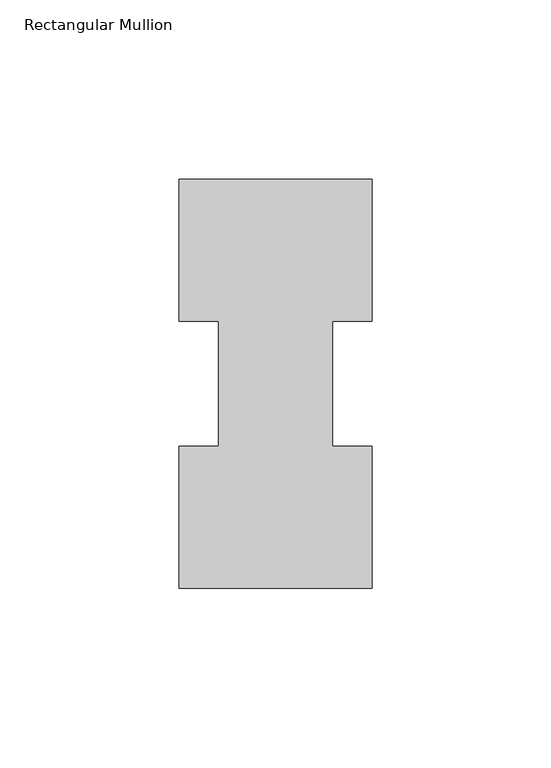
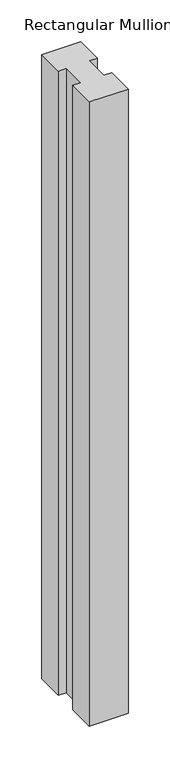
"""IFC4 building model written with IfcOpenShell, lengths in millimetres: member geometry, Rectangular Mullion."""

import ifcopenshell
import ifcopenshell.guid

model = None  # the IFC model being written
_history = None  # IfcOwnerHistory: only IFC2X3 demands one
_inside = {}  # id of a spatial element -> (the spatial element, [elements in it])
_under = {}  # id of a project, library or spatial element -> (it, [spatial elements below it])
_declared = {}  # id of a project -> (the project, [libraries it declares])
_typed = {}  # id of a type object -> (the type object, [elements of that type])
_made_of = {}  # id of a material, layer set ... -> (it, [elements and type objects made of it])


def new_model(schema):
    """Start an empty IFC model of exactly this schema.

    Asked for "IFC4X3", IfcOpenShell would pick the latest addendum, in which some entities
    have other attributes; the version numbers below select the first issue.
    IFC2X3 requires an IfcOwnerHistory on every rooted entity: one is made here for all.
    """
    global model, _history
    if schema == "IFC4X3":
        model = ifcopenshell.file(schema_version=(4, 3, 0, 0))
    else:
        model = ifcopenshell.file(schema=schema)
    _inside.clear()
    _under.clear()
    _declared.clear()
    _typed.clear()
    _made_of.clear()
    _history = None
    if model.schema == "IFC2X3":
        org = make("IfcOrganization", Name="unknown")
        user = make(
            "IfcPersonAndOrganization",
            ThePerson=make("IfcPerson", FamilyName="unknown"),
            TheOrganization=org,
        )
        app = make(
            "IfcApplication",
            ApplicationDeveloper=org,
            Version="unknown",
            ApplicationFullName="unknown",
            ApplicationIdentifier="unknown",
        )
        _history = make(
            "IfcOwnerHistory",
            OwningUser=user,
            OwningApplication=app,
            ChangeAction="ADDED",
            CreationDate=0,
        )
    return model


def make(cls, **values):
    """One entity of the class cls with the attributes given. An attribute that is None is left unset."""
    return model.create_entity(
        cls, **{name: value for name, value in values.items() if value is not None}
    )


def rooted(cls, **values):
    """An entity with a GlobalId (a new one), such as an element, a storey or a relation."""
    return make(cls, GlobalId=ifcopenshell.guid.new(), OwnerHistory=_history, **values)


def si_unit(unit_type, name, prefix=None):
    """IfcSIUnit, for example si_unit("LENGTHUNIT", "METRE", prefix="MILLI")."""
    return make("IfcSIUnit", UnitType=unit_type, Prefix=prefix, Name=name)


def assignment(units):
    """IfcUnitAssignment: the units of a project."""
    return None if units is None else make("IfcUnitAssignment", Units=units)


def point(xyz):
    """IfcCartesianPoint."""
    return None if xyz is None else make("IfcCartesianPoint", Coordinates=xyz)


def direction(xyz):
    """IfcDirection."""
    return None if xyz is None else make("IfcDirection", DirectionRatios=xyz)


def frame(location, z_axis=None, x_axis=None):
    """IfcAxis2Placement3D, a coordinate frame: its origin and axes. An axis left out is left unset."""
    return make(
        "IfcAxis2Placement3D",
        Location=point(location),
        Axis=direction(z_axis),
        RefDirection=direction(x_axis),
    )


def origin():
    """The frame at (0, 0, 0) with its axes left unset."""
    return frame((0.0, 0.0, 0.0))


def place(relative_to, where):
    """IfcLocalPlacement: puts the frame where relative to a parent placement (None: the world)."""
    return make(
        "IfcLocalPlacement", PlacementRelTo=relative_to, RelativePlacement=where
    )


def context(
    kind, dimensions, precision=None, world=None, true_north=None, identifier=None
):
    """IfcGeometricRepresentationContext, for example the 3D "Model" context."""
    return make(
        "IfcGeometricRepresentationContext",
        ContextIdentifier=identifier,
        ContextType=kind,
        CoordinateSpaceDimension=dimensions,
        Precision=precision,
        WorldCoordinateSystem=world,
        TrueNorth=true_north,
    )


def project(units=None, contexts=None):
    """IfcProject with its units and contexts."""
    return rooted(
        "IfcProject",
        Name="project",
        RepresentationContexts=contexts,
        UnitsInContext=assignment(units),
    )


def spatial(cls, under=None, at=None, **own):
    """A site, building, storey or space (cls), placed at a placement, below another one or the project."""
    s = rooted(cls, ObjectPlacement=at, **own)
    if under is not None:
        _under.setdefault(under.id(), (under, []))[1].append(s)
    return s


def polyline(points):
    """IfcPolyline through the points."""
    return make("IfcPolyline", Points=[point(p) for p in points])


def outline(outer, holes=None, kind="AREA"):
    """IfcArbitraryClosedProfileDef: a profile drawn as a closed curve; with holes, ...WithVoids."""
    if holes is None:
        return make("IfcArbitraryClosedProfileDef", ProfileType=kind, OuterCurve=outer)
    return make(
        "IfcArbitraryProfileDefWithVoids",
        ProfileType=kind,
        OuterCurve=outer,
        InnerCurves=holes,
    )


def extrude(swept, where, along, depth):
    """IfcExtrudedAreaSolid: the profile swept, set in the frame where, extruded along a direction by depth."""
    return make(
        "IfcExtrudedAreaSolid",
        SweptArea=swept,
        Position=where,
        ExtrudedDirection=direction(along),
        Depth=depth,
    )


def shape(context_of_items, identifier, shape_type, items):
    """IfcShapeRepresentation: the items that make up one representation, for example the "Body"."""
    return make(
        "IfcShapeRepresentation",
        ContextOfItems=context_of_items,
        RepresentationIdentifier=identifier,
        RepresentationType=shape_type,
        Items=items,
    )


def source(mapping_origin, context_of_items, identifier, shape_type, items):
    """IfcRepresentationMap: a shape defined once, which mapped items show again and again."""
    return make(
        "IfcRepresentationMap",
        MappingOrigin=mapping_origin,
        MappedRepresentation=shape(context_of_items, identifier, shape_type, items),
    )


def transform(
    local_origin,
    x_axis=None,
    y_axis=None,
    z_axis=None,
    scale=None,
    scale2=None,
    scale3=None,
    uniform=True,
):
    """IfcCartesianTransformationOperator3D, or its non-uniform kind. x_axis, y_axis, z_axis: its Axis1, 2, 3."""
    if uniform:
        return make(
            "IfcCartesianTransformationOperator3D",
            Axis1=direction(x_axis),
            Axis2=direction(y_axis),
            LocalOrigin=point(local_origin),
            Scale=scale,
            Axis3=direction(z_axis),
        )
    return make(
        "IfcCartesianTransformationOperator3DnonUniform",
        Axis1=direction(x_axis),
        Axis2=direction(y_axis),
        LocalOrigin=point(local_origin),
        Scale=scale,
        Axis3=direction(z_axis),
        Scale2=scale2,
        Scale3=scale3,
    )


def mapped(mapping_source, mapping_target):
    """IfcMappedItem: shows the shape of a source again, moved by a transform."""
    return make(
        "IfcMappedItem", MappingSource=mapping_source, MappingTarget=mapping_target
    )


def made_of(thing, what):
    """Note that an element or type object is made of a material, layer set ...; save() writes the relation."""
    if what is not None:
        _made_of.setdefault(what.id(), (what, []))[1].append(thing)
    return thing


def element(
    cls,
    number,
    at=None,
    inside=None,
    cuts=None,
    type_object=None,
    material=None,
    context=None,
    identifier="Body",
    shape_type=None,
    held_by="IfcProductDefinitionShape",
    body=None,
    shapes=None,
    **own,
):
    """One element of the class cls, such as IfcWall. Its Tag is "e" and its number.

    at: its placement. inside: the storey or other place that contains it. cuts: it is an
    opening in that element (IfcRelVoidsElement). A single representation is given by context,
    identifier, shape_type and body (its items); several are given by shapes. held_by: the class
    of the entity that holds the representations. save() writes the other relations.
    """
    e = rooted(cls, Tag="e%d" % number, ObjectPlacement=at, **own)
    if body is not None:
        shapes = [shape(context, identifier, shape_type, body)]
    if shapes is not None:
        e.Representation = make(held_by, Representations=shapes)
    if inside is not None:
        _inside.setdefault(inside.id(), (inside, []))[1].append(e)
    if cuts is not None:
        rooted(
            "IfcRelVoidsElement", RelatingBuildingElement=cuts, RelatedOpeningElement=e
        )
    if type_object is not None:
        _typed.setdefault(type_object.id(), (type_object, []))[1].append(e)
    return made_of(e, material)


def aggregate(whole, parts):
    """IfcRelAggregates: a whole, such as a stair, and the parts it consists of."""
    return rooted("IfcRelAggregates", RelatingObject=whole, RelatedObjects=parts)


def save(model, path):
    """Write the relations noted so far, then the file.

    IfcRelAggregates (storeys below a building ...), IfcRelContainedInSpatialStructure (elements
    in a storey), IfcRelDefinesByType, IfcRelAssociatesMaterial and IfcRelDeclares: one each for
    every whole, place, type object, material and project.
    """
    for whole, parts in _under.values():
        aggregate(whole, parts)
    for where, things in _inside.values():
        rooted(
            "IfcRelContainedInSpatialStructure",
            RelatedElements=things,
            RelatingStructure=where,
        )
    for kind, things in _typed.values():
        rooted("IfcRelDefinesByType", RelatedObjects=things, RelatingType=kind)
    for what, things in _made_of.values():
        rooted("IfcRelAssociatesMaterial", RelatedObjects=things, RelatingMaterial=what)
    for by, libraries in _declared.values():
        rooted("IfcRelDeclares", RelatingContext=by, RelatedDefinitions=libraries)
    model.write(path)


def rectangular_mullion_48c04310(model_context):
    return source(origin(), model_context, "Body", "SweptSolid", [
        extrude(outline(polyline([(26.9875, 114.271425), (26.9875, 74.596625), (15.875, 74.596625), (15.875, 39.646225), (26.9875, 39.646225), (26.9875, -0.028575), (-26.9875, -0.028575), (-26.9875, 39.646225), (-15.8750003, 39.646225), (-15.8750003, 74.596625), (-26.9875, 74.596625), (-26.9875, 114.271425), (26.9875, 114.271425)])), frame((0.0, 0.0, -914.4), z_axis=(0.0, 0.0, 1.0), x_axis=(1.0, 0.0, 0.0)), (0.0, 0.0, 1.0), 914.4),
    ])


if __name__ == "__main__":
    model = new_model("IFC4")
    model_context = context("Model", 3, world=origin())
    ifc_project = project(units=[si_unit("LENGTHUNIT", "METRE", prefix="MILLI")], contexts=[model_context])
    site = spatial("IfcSite", under=ifc_project)
    building = spatial("IfcBuilding", under=site)
    placement = place(None, origin())
    rectangular_mullion_shape = rectangular_mullion_48c04310(model_context)
    element("IfcMember", 1, ObjectType="Rectangular Mullion", at=placement, inside=building, context=model_context, shape_type="MappedRepresentation", body=[
        mapped(rectangular_mullion_shape, transform((0.0, 0.0, 0.0), x_axis=(1.0, 0.0, 0.0), y_axis=(0.0, 1.0, 0.0), z_axis=(0.0, 0.0, 1.0))),
    ])
    save(model, "model.ifc")
